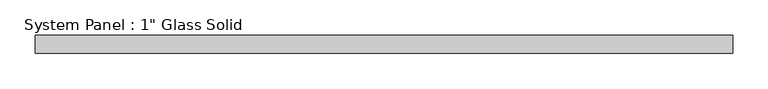
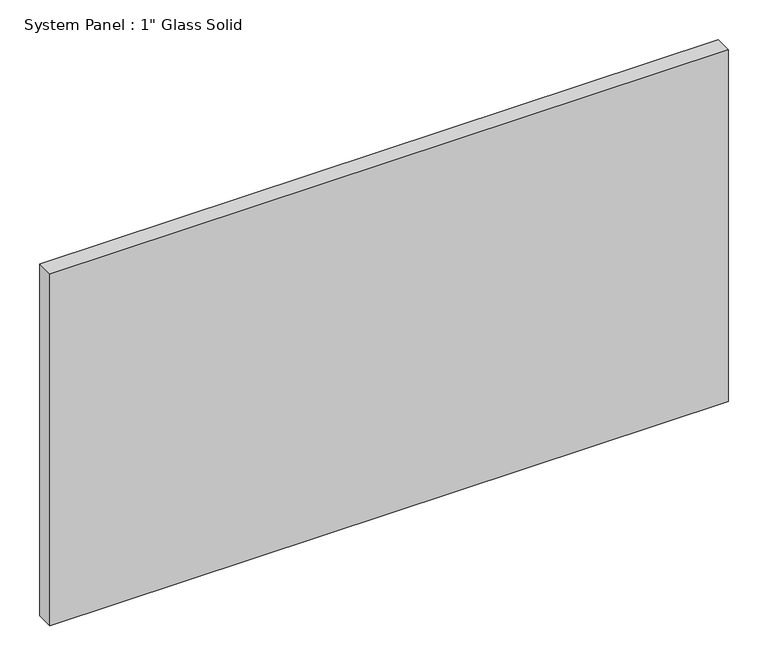
"""IFC4 building model written with IfcOpenShell, lengths in millimetres: plate geometry."""

from ifc_helpers import new_model, si_unit, origin, origin_with_axes, place, context, project, spatial, polyline, outline, extrude, source, transform, mapped, element, save


def plate_055829d0(model_context):
    return source(origin(), model_context, "Body", "SweptSolid", [
        extrude(outline(polyline([(492.1258852, -12.7), (-492.1258852, -12.7), (-492.1258852, 12.7), (492.1258852, 12.7), (492.1258852, -12.7)])), origin_with_axes(), (0.0, 0.0, 1.0), 539.7535408),
    ])


if __name__ == "__main__":
    model = new_model("IFC4")
    model_context = context("Model", 3, world=origin())
    ifc_project = project(units=[si_unit("LENGTHUNIT", "METRE", prefix="MILLI")], contexts=[model_context])
    site = spatial("IfcSite", under=ifc_project)
    building = spatial("IfcBuilding", under=site)
    placement = place(None, origin())
    plate_shape = plate_055829d0(model_context)
    element("IfcPlate", 1, ObjectType="System Panel : 1\" Glass Solid", at=placement, inside=building, context=model_context, shape_type="MappedRepresentation", body=[
        mapped(plate_shape, transform((0.0, 0.0, 0.0), x_axis=(1.0, 0.0, 0.0), y_axis=(0.0, 1.0, 0.0), z_axis=(0.0, 0.0, 1.0))),
    ])
    save(model, "model.ifc")
